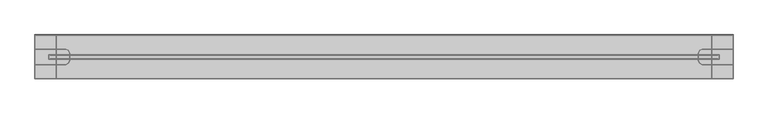
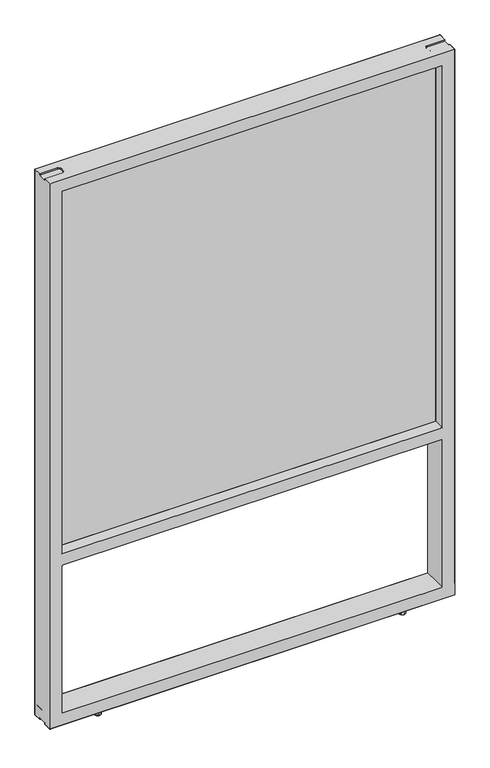
"""IFC4 building model written with IfcOpenShell, lengths in millimetres: furniture geometry."""

from ifc_helpers import new_model, si_unit, origin, place, context, project, spatial, triangles, source, transform, mapped, element, save


def furniture_2a0c2a51(model_context):
    return source(origin(), model_context, "Body", "Tessellation", [
        triangles([(32.6390461, -41.2115288, 1716.5700771), (32.6390461, -41.2114789, 545.4015203), (1195.8320223, -41.2114789, 545.4015203), (1195.8320223, -41.2115288, 1716.5700771)], [[1, 2, 3], [1, 3, 4]], closed=False),
        triangles([(1195.8320223, -34.9884757, 545.4015203), (32.6390461, -34.9884757, 545.4015203), (32.6390461, -34.9885279, 1716.5700771), (1195.8320223, -34.9885279, 1716.5700771)], [[1, 2, 3], [1, 3, 4]], closed=False),
        triangles([(1222.2485058, -76.1999319, 1705.9152042), (1222.2480698, 0.0, 1705.9147682), (1222.2480698, -24.8920012, 1738.4521717), (1222.2480698, -51.308001, 1738.4521717), (43.3070132, -3.8e-06, 556.0817914), (43.3070132, -34.4678066, 556.0817914), (1185.1645775, -34.4678294, 556.0818277), (1185.1639961, -3.8e-06, 556.0817914), (43.3070132, -34.4678044, 543.3818398), (1185.1639961, -34.4678044, 543.3818398), (43.3070132, -41.7322047, 543.3818398), (1185.1639961, -41.7322047, 543.3818398), (43.3070132, -41.7322047, 556.0817914), (1185.1639961, -41.7322047, 556.0817914), (43.3070132, -76.2000091, 556.0817914), (1185.1639961, -76.2000091, 556.0817914), (43.3070132, -76.2000091, 518.9978268), (1185.1639961, -76.2000091, 518.9978268), (43.3070132, 0.0, 518.9978268), (1185.1639961, 0.0, 518.9978268), (43.306559, -41.7321593, 523.8246034), (43.306559, -34.4677612, 523.8246034), (30.6065757, -34.4677612, 523.8246034), (30.6065757, -41.7321593, 523.8246034), (30.6066665, -34.4676568, 1705.9152042), (43.3075946, -34.4677294, 1705.9152042), (30.6066665, -41.7320594, 1705.9152042), (43.3066771, -41.7320594, 1705.9152042), (43.3065272, 0.0, 49.784443), (43.3066771, 0.000145, 1705.9152042), (43.3065272, -76.2000091, 49.784443), (43.3066771, -76.1998592, 1705.9152042), (1197.864529, -34.4678339, 523.8246034), (1185.1645775, -34.4678339, 523.8246034), (1197.864529, -41.732232, 523.8246034), (1185.1645775, -41.732232, 523.8246034), (30.6065144, -34.4678021, 1718.6151558), (1197.8644564, -34.4677294, 1718.6151558), (1197.8644564, -41.732132, 1718.6151558), (30.6065144, -41.7322002, 1718.6151558), (1197.8644564, -34.4677294, 1705.9152042), (1197.8644564, -41.732132, 1705.9152042), (1185.1635601, -34.4678021, 1705.9152042), (1185.1644321, -41.732132, 1705.9152042), (1185.1645775, -7.25e-05, 49.784443), (1185.1644321, 7.25e-05, 1705.9152042), (1185.1645775, -76.2000727, 49.784443), (6.2229997, -24.8920012, 12.6998494), (6.2229997, 0.0, 12.6998494), (1222.2480698, 0.0, 12.6998494), (1222.2480698, -24.8920012, 12.6998494), (1168.2730213, -24.8920012, 12.6998494), (1163.7828884, -26.7518736, 12.6998494), (64.6881482, -26.7518736, 12.6998494), (60.198038, -24.8920012, 12.6998494), (1161.9230455, -31.242002, 12.6998494), (66.5480137, -31.242002, 12.6998494), (1163.7828884, -49.4481309, 12.6998494), (64.6881482, -49.4481309, 12.6998494), (66.5480137, -44.9580025, 12.6998494), (1161.9230455, -44.9580025, 12.6998494), (1168.2730213, -51.308001, 12.6998494), (60.198038, -51.308001, 12.6998494), (6.2229997, -24.8920012, 1742.9988419), (1222.2480698, -24.8920012, 1742.9988419), (1222.2480698, 0.0, 1742.9988419), (6.2229997, 0.0, 1742.9988419), (64.6881482, -26.7518736, 1742.9988419), (1163.7828884, -26.7518736, 1742.9988419), (1168.2730213, -24.8920012, 1742.9988419), (60.198038, -24.8920012, 1742.9988419), (66.5480137, -31.242002, 1742.9988419), (1161.9230455, -31.242002, 1742.9988419), (66.5480137, -44.9580025, 1742.9988419), (1161.9230455, -44.9580025, 1742.9988419), (64.6881482, -49.4481309, 1742.9988419), (1163.7828884, -49.4481309, 1742.9988419), (60.198038, -51.308001, 1742.9988419), (1168.2730213, -51.308001, 1742.9988419), (6.2229997, -76.2000091, 1742.9988419), (1222.2480698, -76.2000091, 1742.9988419), (1222.2480698, -51.308001, 1742.9988419), (6.2229997, -51.308001, 1742.9988419), (64.6881482, -26.7518736, 1738.4521717), (64.6881482, -49.4481309, 1738.4521717), (66.5480137, -44.9580025, 1738.4521717), (66.5480137, -31.242002, 1738.4521717), (60.198038, -24.8920012, 1738.4521717), (60.198038, -51.308001, 1738.4521717), (6.2229997, -24.8920012, 1738.4521717), (6.2229997, -51.308001, 1738.4521717), (1163.7828884, -26.7518736, 1738.4521717), (1163.7828884, -49.4481309, 1738.4521717), (1161.9230455, -44.9580025, 1738.4521717), (1161.9230455, -31.242002, 1738.4521717), (1168.2730213, -24.8920012, 1738.4521717), (1168.2730213, -51.308001, 1738.4521717), (6.2225115, 0.0, 1705.9152042), (6.2225115, -76.2000091, 1705.9152042), (6.2226642, -76.2001453, 49.784443), (6.2226642, -0.000145, 49.784443), (1222.2480698, -76.2000091, 49.7838344), (1222.2486511, -7.25e-05, 49.784443), (1185.1644321, -76.1999319, 1705.9152042), (1222.2480698, -51.308001, 12.6998494), (1222.2480698, -51.308001, 17.2464809), (1168.2730213, -51.308001, 17.2464809), (1163.7828884, -49.4481309, 17.2464809), (1161.9230455, -44.9580025, 17.2464809), (1163.7828884, -26.7518736, 17.2464809), (1161.9230455, -31.242002, 17.2464809), (1168.2730213, -24.8920012, 17.2464809), (1222.2480698, -24.8920012, 17.2464809), (60.198038, -24.8920012, 17.2464809), (6.2229997, -24.8920012, 17.2464809), (64.6881482, -26.7518736, 17.2464809), (66.5480137, -31.242002, 17.2464809), (64.6881482, -49.4481309, 17.2464809), (66.5480137, -44.9580025, 17.2464809), (60.198038, -51.308001, 17.2464809), (6.2229997, -51.308001, 12.6998494), (6.2229997, -51.308001, 17.2464809), (1222.2480698, -76.2000091, 12.6998494), (6.2229997, -76.2000091, 12.6998494)], [[1, 2, 3], [1, 3, 4], [5, 6, 7], [5, 7, 8], [9, 10, 7], [9, 7, 6], [9, 11, 12], [9, 12, 10], [13, 14, 12], [13, 12, 11], [13, 15, 16], [13, 16, 14], [17, 18, 16], [17, 16, 15], [17, 19, 20], [17, 20, 18], [5, 8, 20], [5, 20, 19], [21, 22, 23], [21, 23, 24], [25, 23, 26], [23, 22, 26], [25, 27, 24], [25, 24, 23], [28, 21, 24], [28, 24, 27], [26, 22, 29], [26, 29, 30], [21, 31, 29], [21, 29, 22], [32, 31, 21], [32, 21, 28], [33, 34, 35], [34, 36, 35], [37, 38, 39], [37, 39, 40], [37, 25, 41], [37, 41, 38], [40, 27, 25], [40, 25, 37], [40, 39, 42], [40, 42, 27], [38, 41, 39], [41, 42, 39], [34, 33, 41], [34, 41, 43], [35, 42, 41], [35, 41, 33], [35, 36, 44], [35, 44, 42], [45, 34, 43], [45, 43, 46], [45, 47, 36], [45, 36, 34], [48, 49, 50], [48, 50, 51], [52, 53, 54], [52, 54, 55], [56, 57, 54], [56, 54, 53], [58, 59, 60], [58, 60, 61], [58, 62, 63], [58, 63, 59], [64, 65, 66], [64, 66, 67], [68, 69, 70], [68, 70, 71], [68, 72, 73], [68, 73, 69], [74, 75, 73], [74, 73, 72], [74, 76, 77], [74, 77, 75], [78, 79, 77], [78, 77, 76], [80, 81, 82], [80, 82, 83], [84, 85, 86], [84, 86, 87], [84, 88, 85], [88, 89, 85], [90, 91, 89], [90, 89, 88], [83, 78, 89], [83, 89, 91], [76, 85, 89], [76, 89, 78], [76, 74, 86], [76, 86, 85], [72, 87, 74], [87, 86, 74], [72, 68, 84], [72, 84, 87], [71, 88, 68], [88, 84, 68], [71, 64, 90], [71, 90, 88], [92, 93, 94], [92, 94, 95], [92, 96, 97], [92, 97, 93], [97, 4, 3], [97, 3, 96], [1, 4, 82], [1, 82, 81], [97, 79, 82], [97, 82, 4], [97, 93, 77], [97, 77, 79], [94, 75, 77], [94, 77, 93], [94, 95, 73], [94, 73, 75], [73, 69, 95], [69, 92, 95], [92, 96, 70], [92, 70, 69], [3, 65, 70], [3, 70, 96], [3, 2, 66], [3, 66, 65], [98, 67, 66], [98, 66, 2], [98, 90, 64], [98, 64, 67], [98, 99, 91], [98, 91, 90], [91, 99, 80], [91, 80, 83], [80, 99, 1], [80, 1, 81], [99, 100, 31], [99, 31, 32], [99, 98, 101], [99, 101, 100], [30, 29, 101], [30, 101, 98], [2, 1, 102], [2, 102, 103], [36, 47, 104], [36, 104, 44], [46, 2, 103], [46, 103, 45], [47, 102, 1], [47, 1, 104], [105, 62, 106], [62, 107, 106], [58, 108, 107], [58, 107, 62], [58, 61, 108], [61, 109, 108], [56, 53, 110], [56, 110, 111], [52, 112, 53], [112, 110, 53], [52, 51, 113], [52, 113, 112], [48, 55, 114], [48, 114, 115], [54, 116, 55], [116, 114, 55], [54, 57, 117], [54, 117, 116], [60, 59, 118], [60, 118, 119], [63, 120, 118], [63, 118, 59], [63, 121, 122], [63, 122, 120], [115, 114, 120], [115, 120, 122], [116, 118, 114], [118, 120, 114], [116, 117, 119], [116, 119, 118], [57, 60, 119], [57, 119, 117], [57, 56, 61], [57, 61, 60], [111, 109, 56], [109, 61, 56], [111, 110, 108], [111, 108, 109], [112, 107, 108], [112, 108, 110], [112, 113, 106], [112, 106, 107], [123, 124, 121], [123, 121, 105], [102, 100, 124], [102, 124, 123], [124, 100, 122], [124, 122, 121], [101, 115, 122], [101, 122, 100], [101, 49, 48], [101, 48, 115], [101, 103, 50], [101, 50, 49], [113, 51, 50], [113, 50, 103], [102, 123, 105], [102, 105, 106], [113, 103, 102], [113, 102, 106], [101, 100, 102], [101, 102, 103]], closed=False),
        triangles([(1077.3854004, -57.5500937, -0.0001014), (1079.8499302, -63.4999803, -0.0001014), (1065.485618, -57.5500937, -0.0001014), (1071.4354729, -55.0855684, -0.0001014), (1077.3854004, -69.4498715, -0.0001014), (1063.0210882, -63.4999803, -0.0001014), (1071.4354729, -71.9143922, -0.0001014), (1065.485618, -69.4498715, -0.0001014), (1078.4405685, -70.545971, 1.3910119), (1081.3449697, -63.5341307, 1.3910119), (1082.3574806, -63.4999985, 12.6998494), (1079.158548, -71.2230191, 12.6998494), (1071.4287146, -73.4503722, 1.3910119), (1071.4355455, -74.4219972, 12.6998494), (1064.4168606, -70.545971, 1.3910119), (1063.7124704, -71.2230191, 12.6998494), (1061.5124594, -63.5341307, 1.3910119), (1060.5135378, -63.4999985, 12.6998494), (1064.4168606, -56.5222903, 1.3910119), (1063.7124704, -55.7769824, 12.6998494), (1071.4287146, -53.6178936, 1.3910119), (1071.4355455, -52.5779998, 12.6998494), (1078.4405685, -56.5222903, 1.3910119), (1079.158548, -55.7769824, 12.6998494), (1077.3854004, -6.7500973, -0.0001014), (1079.8499302, -12.6999856, -0.0001014), (1065.485618, -6.7500973, -0.0001014), (1071.4354729, -4.2855731, -0.0001014), (1077.3854004, -18.6498723, -0.0001014), (1063.0210882, -12.6999856, -0.0001014), (1071.4354729, -21.1143975, -0.0001014), (1065.485618, -18.6498723, -0.0001014), (1078.4405685, -19.7459763, 1.3910119), (1081.3449697, -12.734136, 1.3910119), (1082.3574806, -12.7000038, 12.6998494), (1079.158548, -20.4230221, 12.6998494), (1071.4287146, -22.6503753, 1.3910119), (1071.4355455, -23.6220025, 12.6998494), (1064.4168606, -19.7459763, 1.3910119), (1063.7124704, -20.4230221, 12.6998494), (1061.5124594, -12.734136, 1.3910119), (1060.5135378, -12.7000038, 12.6998494), (1064.4168606, -5.7222956, 1.3910119), (1063.7124704, -4.9769838, 12.6998494), (1071.4287146, -2.8178958, 1.3910119), (1071.4355455, -1.7780045, 12.6998494), (1078.4405685, -5.7222956, 1.3910119), (1079.158548, -4.9769838, 12.6998494), (162.9854004, -57.5500982, -0.0001014), (165.4499302, -63.4999894, -0.0001014), (151.0856271, -57.5500982, -0.0001014), (157.0355092, -55.0855775, -0.0001014), (162.9854004, -69.449876, -0.0001014), (148.6211064, -63.4999894, -0.0001014), (157.0355092, -71.9144013, -0.0001014), (151.0856271, -69.449876, -0.0001014), (164.0405685, -70.5459801, 1.3910119), (166.9449697, -63.5341398, 1.3910119), (167.9575351, -63.5000076, 12.6998494), (164.758548, -71.2230236, 12.6998494), (157.0287327, -73.4503768, 1.3910119), (157.0355274, -74.4220062, 12.6998494), (150.0168878, -70.5459801, 1.3910119), (149.3125068, -71.2230236, 12.6998494), (147.1124957, -63.5341398, 1.3910119), (146.1135287, -63.5000076, 12.6998494), (150.0168878, -56.5222994, 1.3910119), (149.3125068, -55.776987, 12.6998494), (157.0287327, -53.6178982, 1.3910119), (157.0355274, -52.5780089, 12.6998494), (164.0405685, -56.5222994, 1.3910119), (164.758548, -55.776987, 12.6998494), (162.9854186, -6.750116, -0.0001014), (165.4499302, -12.7000038, -0.0001014), (151.0856362, -6.750116, -0.0001014), (157.0355274, -4.2855919, -0.0001014), (162.9854186, -18.6498916, -0.0001014), (148.6211064, -12.7000038, -0.0001014), (157.0355274, -21.1144157, -0.0001014), (151.0856362, -18.6498916, -0.0001014), (164.0405685, -19.7459945, 1.3910119), (166.9449697, -12.7341541, 1.3910119), (167.9575351, -12.700022, 12.6998494), (164.758548, -20.4230426, 12.6998494), (157.0287327, -22.6503957, 1.3910119), (157.0355274, -23.6220206, 12.6998494), (150.0168969, -19.7459945, 1.3910119), (149.3125159, -20.4230426, 12.6998494), (147.1124957, -12.7341541, 1.3910119), (146.1135378, -12.700022, 12.6998494), (150.0168969, -5.7223138, 1.3910119), (149.3125159, -4.9770025, 12.6998494), (157.0287327, -2.8179146, 1.3910119), (157.0355274, -1.7780231, 12.6998494), (164.0405685, -5.7223138, 1.3910119), (164.758548, -4.9770025, 12.6998494)], [[1, 2, 3], [1, 3, 4], [5, 6, 2], [6, 3, 2], [5, 7, 8], [5, 8, 6], [9, 10, 11], [9, 11, 12], [13, 9, 12], [13, 12, 14], [15, 13, 14], [15, 14, 16], [17, 15, 16], [17, 16, 18], [19, 17, 18], [19, 18, 20], [21, 19, 20], [21, 20, 22], [23, 21, 24], [21, 22, 24], [10, 23, 11], [23, 24, 11], [5, 2, 10], [5, 10, 9], [7, 5, 9], [7, 9, 13], [8, 7, 13], [8, 13, 15], [6, 8, 17], [8, 15, 17], [3, 6, 17], [3, 17, 19], [4, 3, 19], [4, 19, 21], [1, 4, 23], [4, 21, 23], [2, 1, 23], [2, 23, 10], [25, 26, 27], [25, 27, 28], [29, 30, 26], [30, 27, 26], [29, 31, 32], [29, 32, 30], [33, 34, 35], [33, 35, 36], [37, 33, 36], [37, 36, 38], [39, 37, 38], [39, 38, 40], [41, 39, 40], [41, 40, 42], [43, 41, 42], [43, 42, 44], [45, 43, 44], [45, 44, 46], [47, 45, 48], [45, 46, 48], [34, 47, 35], [47, 48, 35], [29, 26, 34], [29, 34, 33], [31, 29, 33], [31, 33, 37], [32, 31, 37], [32, 37, 39], [30, 32, 41], [32, 39, 41], [27, 30, 41], [27, 41, 43], [28, 27, 43], [28, 43, 45], [25, 28, 45], [25, 45, 47], [26, 25, 47], [26, 47, 34], [49, 50, 51], [49, 51, 52], [53, 54, 51], [53, 51, 50], [53, 55, 56], [53, 56, 54], [57, 58, 59], [57, 59, 60], [61, 57, 60], [61, 60, 62], [63, 61, 62], [63, 62, 64], [65, 63, 64], [65, 64, 66], [67, 65, 66], [67, 66, 68], [69, 67, 68], [69, 68, 70], [71, 69, 70], [71, 70, 72], [58, 71, 59], [71, 72, 59], [53, 50, 58], [53, 58, 57], [55, 53, 57], [55, 57, 61], [56, 55, 61], [56, 61, 63], [54, 56, 65], [56, 63, 65], [51, 54, 67], [54, 65, 67], [52, 51, 67], [52, 67, 69], [49, 52, 71], [52, 69, 71], [50, 49, 71], [50, 71, 58], [73, 74, 75], [73, 75, 76], [77, 78, 74], [78, 75, 74], [77, 79, 80], [77, 80, 78], [81, 82, 83], [81, 83, 84], [85, 81, 84], [85, 84, 86], [87, 85, 86], [87, 86, 88], [89, 87, 88], [89, 88, 90], [91, 89, 90], [91, 90, 92], [93, 91, 92], [93, 92, 94], [95, 93, 94], [95, 94, 96], [82, 95, 83], [95, 96, 83], [77, 74, 82], [77, 82, 81], [79, 77, 81], [79, 81, 85], [80, 79, 85], [80, 85, 87], [78, 80, 89], [80, 87, 89], [75, 78, 89], [75, 89, 91], [76, 75, 91], [76, 91, 93], [73, 76, 95], [76, 93, 95], [74, 73, 95], [74, 95, 82]], closed=False),
    ])


if __name__ == "__main__":
    model = new_model("IFC4")
    model_context = context("Model", 3, world=origin())
    ifc_project = project(units=[si_unit("LENGTHUNIT", "METRE", prefix="MILLI")], contexts=[model_context])
    site = spatial("IfcSite", under=ifc_project)
    building = spatial("IfcBuilding", under=site)
    placement = place(None, origin())
    furniture_shape = furniture_2a0c2a51(model_context)
    element("IfcFurniture", 1, at=placement, inside=building, context=model_context, shape_type="MappedRepresentation", body=[
        mapped(furniture_shape, transform((0.0, 0.0, 0.0), x_axis=(1.0, 0.0, 0.0), y_axis=(0.0, 1.0, 0.0), z_axis=(0.0, 0.0, 1.0))),
    ])
    save(model, "model.ifc")
